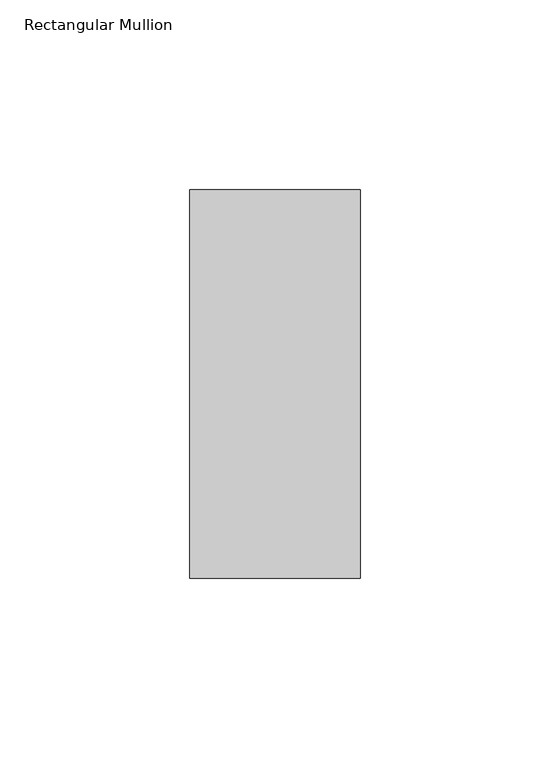
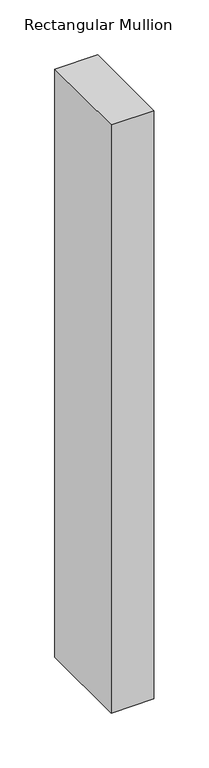
"""IFC4 building model written with IfcOpenShell, lengths in millimetres: member geometry, Rectangular Mullion."""

from ifc_helpers import new_model, si_unit, frame, origin, place, context, project, spatial, polyline, outline, extrude, source, transform, mapped, element, save


def rectangular_mullion_da0ebedf(model_context):
    return source(origin(), model_context, "Body", "SweptSolid", [
        extrude(outline(polyline([(22.5, 66.73125), (22.5, -35.73125), (-22.5, -35.73125), (-22.5, 66.73125), (22.5, 66.73125)])), frame((0.0, 0.0, -654.1158203), z_axis=(0.0, 0.0, 1.0), x_axis=(1.0, 0.0, 0.0)), (0.0, 0.0, 1.0), 654.1158203),
    ])


if __name__ == "__main__":
    model = new_model("IFC4")
    model_context = context("Model", 3, world=origin())
    ifc_project = project(units=[si_unit("LENGTHUNIT", "METRE", prefix="MILLI")], contexts=[model_context])
    site = spatial("IfcSite", under=ifc_project)
    building = spatial("IfcBuilding", under=site)
    placement = place(None, origin())
    rectangular_mullion_shape = rectangular_mullion_da0ebedf(model_context)
    element("IfcMember", 1, ObjectType="Rectangular Mullion", at=placement, inside=building, context=model_context, shape_type="MappedRepresentation", body=[
        mapped(rectangular_mullion_shape, transform((0.0, 0.0, 0.0), x_axis=(1.0, 0.0, 0.0), y_axis=(0.0, 1.0, 0.0), z_axis=(0.0, 0.0, 1.0))),
    ])
    save(model, "model.ifc")
